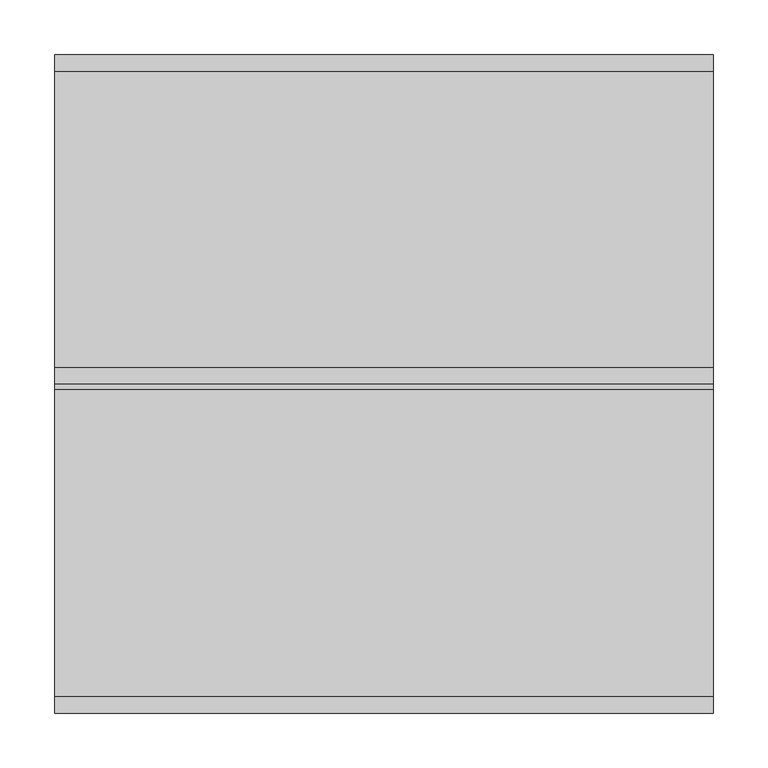
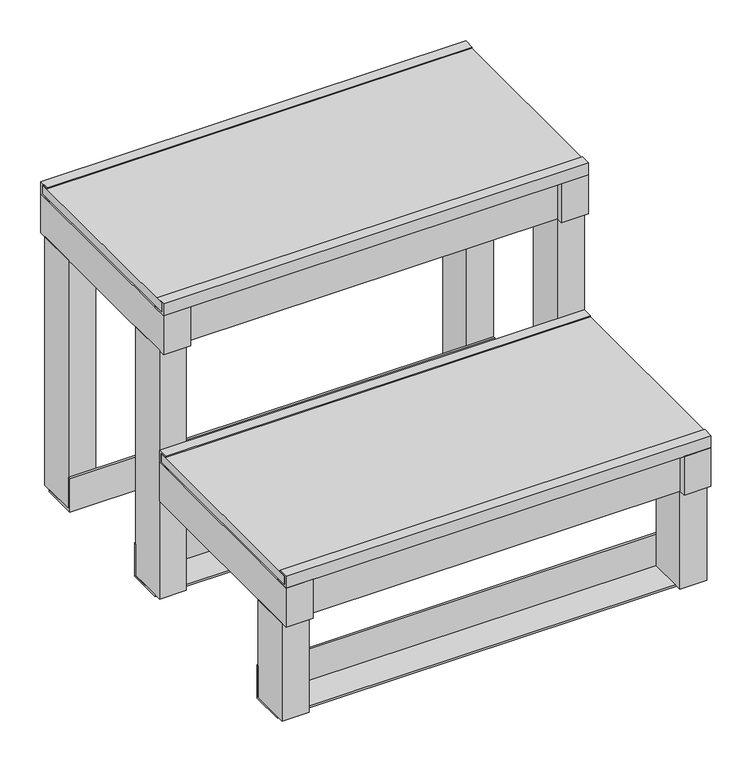
"""IFC4 building model written with IfcOpenShell, lengths in millimetres: proxy geometry."""

from ifc_helpers import new_model, si_unit, frame, origin, place, context, project, spatial, polyline, outline, extrude, source, transform, mapped, element, save


def specialty_equipment_80ca483a(model_context):
    return source(origin(), model_context, "Body", "SweptSolid", [
        extrude(outline(polyline([(300.0, 62.6), (300.0, -237.4), (-300.0, -237.4), (-300.0, 62.6), (300.0, 62.6)])), frame((0.0, 0.0, 210.0), z_axis=(0.0, 0.0, 1.0), x_axis=(1.0, 0.0, 0.0)), (0.0, 0.0, 1.0), 13.0),
        extrude(outline(polyline([(-262.0, -174.2), (-262.0, -232.4), (-300.0, -232.4), (-300.0, -174.2), (-262.0, -174.2)])), frame((0.0, 0.0, 3.0), z_axis=(0.0, 0.0, 1.0), x_axis=(1.0, 0.0, 0.0)), (0.0, 0.0, 1.0), 146.0),
        extrude(outline(polyline([(300.0, -174.2), (300.0, -232.4), (262.0, -232.4), (262.0, -174.2), (300.0, -174.2)])), frame((0.0, 0.0, 3.0), z_axis=(0.0, 0.0, 1.0), x_axis=(1.0, 0.0, 0.0)), (0.0, 0.0, 1.0), 146.0),
        extrude(outline(polyline([(-262.0, -242.4), (-300.0, -242.4), (-300.0, 67.6), (-262.0, 67.6), (-262.0, 57.6), (262.0, 57.6), (262.0, 67.6), (300.0, 67.6), (300.0, -242.4), (262.0, -242.4), (262.0, -232.4), (-262.0, -232.4), (-262.0, -242.4)]), holes=[polyline([(-262.0, -194.4), (262.0, -194.4), (262.0, 19.6), (-262.0, 19.6), (-262.0, -194.4)])]), frame((0.0, 0.0, 149.0), z_axis=(0.0, 0.0, 1.0), x_axis=(1.0, 0.0, 0.0)), (0.0, 0.0, 1.0), 58.0),
        extrude(outline(polyline([(300.0, 352.6), (300.0, 62.6), (-300.0, 62.6), (-300.0, 352.6), (300.0, 352.6)])), frame((0.0, 0.0, 435.0), z_axis=(0.0, 0.0, 1.0), x_axis=(1.0, 0.0, 0.0)), (0.0, 0.0, 1.0), 13.0),
        extrude(outline(polyline([(357.6, 432.0), (337.6, 432.0), (337.6, 435.0), (354.6, 435.0), (354.6, 448.0), (342.6, 448.0), (342.6, 450.0), (357.6, 450.0), (357.6, 432.0)])), frame((-300.0, 0.0, 0.0), z_axis=(1.0, 0.0, 0.0), x_axis=(0.0, 1.0, 0.0)), (0.0, 0.0, 1.0), 600.0),
        extrude(outline(polyline([(57.6, 432.0), (57.6, 450.0), (72.6, 450.0), (72.6, 448.0), (60.6, 448.0), (60.6, 435.0), (77.6, 435.0), (77.6, 432.0), (57.6, 432.0)])), frame((-300.0, 0.0, 0.0), z_axis=(1.0, 0.0, 0.0), x_axis=(0.0, 1.0, 0.0)), (0.0, 0.0, 1.0), 600.0),
        extrude(outline(polyline([(67.6, 207.0), (47.6, 207.0), (47.6, 210.0), (64.6, 210.0), (64.6, 223.0), (52.6, 223.0), (52.6, 225.0), (67.6, 225.0), (67.6, 207.0)])), frame((-300.0, 0.0, 0.0), z_axis=(1.0, 0.0, 0.0), x_axis=(0.0, 1.0, 0.0)), (0.0, 0.0, 1.0), 600.0),
        extrude(outline(polyline([(-242.4, 207.0), (-242.4, 225.0), (-227.4, 225.0), (-227.4, 223.0), (-239.4, 223.0), (-239.4, 210.0), (-222.4, 210.0), (-222.4, 207.0), (-242.4, 207.0)])), frame((-300.0, 0.0, 0.0), z_axis=(1.0, 0.0, 0.0), x_axis=(0.0, 1.0, 0.0)), (0.0, 0.0, 1.0), 600.0),
        extrude(outline(polyline([(289.6, 3.0), (336.6, 3.0), (336.6, 0.0), (286.6, 0.0), (286.6, 50.0), (289.6, 50.0), (289.6, 3.0)])), frame((-300.0, 0.0, 0.0), z_axis=(1.0, 0.0, 0.0), x_axis=(0.0, 1.0, 0.0)), (0.0, 0.0, 1.0), 600.0),
        extrude(outline(polyline([(125.6, 3.0), (125.6, 50.0), (128.6, 50.0), (128.6, 0.0), (78.6, 0.0), (78.6, 3.0), (125.6, 3.0)])), frame((-300.0, 0.0, 0.0), z_axis=(1.0, 0.0, 0.0), x_axis=(0.0, 1.0, 0.0)), (0.0, 0.0, 1.0), 600.0),
        extrude(outline(polyline([(-174.2, 3.0), (-174.2, 50.0), (-171.2, 50.0), (-171.2, 0.0), (-221.2, 0.0), (-221.2, 3.0), (-174.2, 3.0)])), frame((-300.0, 0.0, 0.0), z_axis=(1.0, 0.0, 0.0), x_axis=(0.0, 1.0, 0.0)), (0.0, 0.0, 1.0), 600.0),
        extrude(outline(polyline([(-262.0, 347.6), (-262.0, 289.6), (-300.0, 289.6), (-300.0, 347.6), (-262.0, 347.6)])), frame((0.0, 0.0, 3.0), z_axis=(0.0, 0.0, 1.0), x_axis=(1.0, 0.0, 0.0)), (0.0, 0.0, 1.0), 371.0),
        extrude(outline(polyline([(-262.0, 125.6), (-262.0, 67.6), (-300.0, 67.6), (-300.0, 125.6), (-262.0, 125.6)])), frame((0.0, 0.0, 3.0), z_axis=(0.0, 0.0, 1.0), x_axis=(1.0, 0.0, 0.0)), (0.0, 0.0, 1.0), 371.0),
        extrude(outline(polyline([(300.0, 125.6), (300.0, 67.6), (262.0, 67.6), (262.0, 125.6), (300.0, 125.6)])), frame((0.0, 0.0, 3.0), z_axis=(0.0, 0.0, 1.0), x_axis=(1.0, 0.0, 0.0)), (0.0, 0.0, 1.0), 371.0),
        extrude(outline(polyline([(300.0, 347.6), (300.0, 289.6), (262.0, 289.6), (262.0, 347.6), (300.0, 347.6)])), frame((0.0, 0.0, 3.0), z_axis=(0.0, 0.0, 1.0), x_axis=(1.0, 0.0, 0.0)), (0.0, 0.0, 1.0), 371.0),
        extrude(outline(polyline([(-262.0, 347.6), (262.0, 347.6), (262.0, 357.6), (300.0, 357.6), (300.0, 57.6), (262.0, 57.6), (262.0, 67.6), (-262.0, 67.6), (-262.0, 57.6), (-300.0, 57.6), (-300.0, 357.6), (-262.0, 357.6), (-262.0, 347.6)]), holes=[polyline([(-262.0, 309.6), (-262.0, 105.6), (262.0, 105.6), (262.0, 309.6), (-262.0, 309.6)])]), frame((0.0, 0.0, 374.0), z_axis=(0.0, 0.0, 1.0), x_axis=(1.0, 0.0, 0.0)), (0.0, 0.0, 1.0), 58.0),
    ])


if __name__ == "__main__":
    model = new_model("IFC4")
    model_context = context("Model", 3, world=origin())
    ifc_project = project(units=[si_unit("LENGTHUNIT", "METRE", prefix="MILLI")], contexts=[model_context])
    site = spatial("IfcSite", under=ifc_project)
    building = spatial("IfcBuilding", under=site)
    placement = place(None, origin())
    specialty_equipment_shape = specialty_equipment_80ca483a(model_context)
    element("IfcBuildingElementProxy", 1, Name="Specialty Equipment", at=placement, inside=building, context=model_context, shape_type="MappedRepresentation", body=[
        mapped(specialty_equipment_shape, transform((0.0, 0.0, 0.0), x_axis=(1.0, 0.0, 0.0), y_axis=(0.0, 1.0, 0.0), z_axis=(0.0, 0.0, 1.0))),
    ])
    save(model, "model.ifc")
